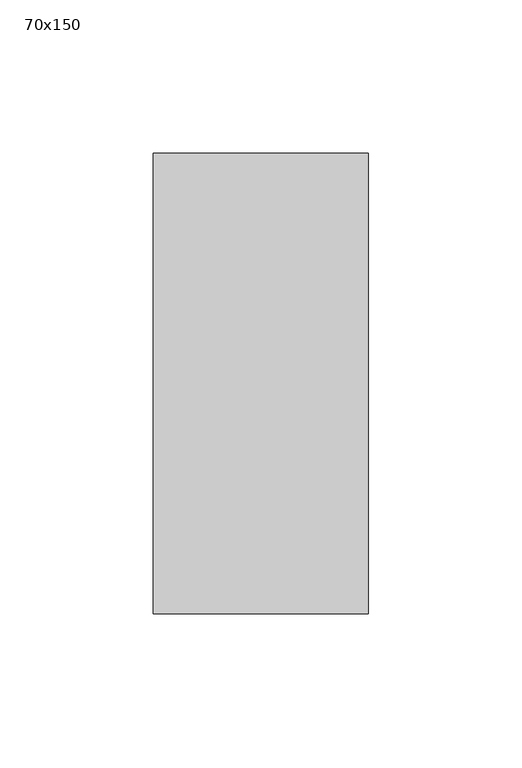
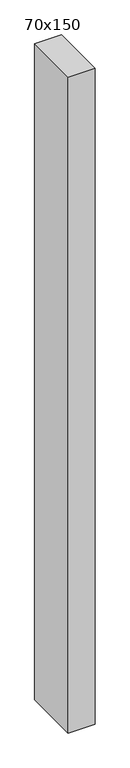
"""IFC4 building model written with IfcOpenShell, lengths in millimetres: member geometry, 70x150."""

import ifcopenshell
import ifcopenshell.guid

model = None  # the IFC model being written
_history = None  # IfcOwnerHistory: only IFC2X3 demands one
_inside = {}  # id of a spatial element -> (the spatial element, [elements in it])
_under = {}  # id of a project, library or spatial element -> (it, [spatial elements below it])
_declared = {}  # id of a project -> (the project, [libraries it declares])
_typed = {}  # id of a type object -> (the type object, [elements of that type])
_made_of = {}  # id of a material, layer set ... -> (it, [elements and type objects made of it])


def new_model(schema):
    """Start an empty IFC model of exactly this schema.

    Asked for "IFC4X3", IfcOpenShell would pick the latest addendum, in which some entities
    have other attributes; the version numbers below select the first issue.
    IFC2X3 requires an IfcOwnerHistory on every rooted entity: one is made here for all.
    """
    global model, _history
    if schema == "IFC4X3":
        model = ifcopenshell.file(schema_version=(4, 3, 0, 0))
    else:
        model = ifcopenshell.file(schema=schema)
    _inside.clear()
    _under.clear()
    _declared.clear()
    _typed.clear()
    _made_of.clear()
    _history = None
    if model.schema == "IFC2X3":
        org = make("IfcOrganization", Name="unknown")
        user = make(
            "IfcPersonAndOrganization",
            ThePerson=make("IfcPerson", FamilyName="unknown"),
            TheOrganization=org,
        )
        app = make(
            "IfcApplication",
            ApplicationDeveloper=org,
            Version="unknown",
            ApplicationFullName="unknown",
            ApplicationIdentifier="unknown",
        )
        _history = make(
            "IfcOwnerHistory",
            OwningUser=user,
            OwningApplication=app,
            ChangeAction="ADDED",
            CreationDate=0,
        )
    return model


def make(cls, **values):
    """One entity of the class cls with the attributes given. An attribute that is None is left unset."""
    return model.create_entity(
        cls, **{name: value for name, value in values.items() if value is not None}
    )


def rooted(cls, **values):
    """An entity with a GlobalId (a new one), such as an element, a storey or a relation."""
    return make(cls, GlobalId=ifcopenshell.guid.new(), OwnerHistory=_history, **values)


def si_unit(unit_type, name, prefix=None):
    """IfcSIUnit, for example si_unit("LENGTHUNIT", "METRE", prefix="MILLI")."""
    return make("IfcSIUnit", UnitType=unit_type, Prefix=prefix, Name=name)


def assignment(units):
    """IfcUnitAssignment: the units of a project."""
    return None if units is None else make("IfcUnitAssignment", Units=units)


def point(xyz):
    """IfcCartesianPoint."""
    return None if xyz is None else make("IfcCartesianPoint", Coordinates=xyz)


def direction(xyz):
    """IfcDirection."""
    return None if xyz is None else make("IfcDirection", DirectionRatios=xyz)


def frame(location, z_axis=None, x_axis=None):
    """IfcAxis2Placement3D, a coordinate frame: its origin and axes. An axis left out is left unset."""
    return make(
        "IfcAxis2Placement3D",
        Location=point(location),
        Axis=direction(z_axis),
        RefDirection=direction(x_axis),
    )


def origin():
    """The frame at (0, 0, 0) with its axes left unset."""
    return frame((0.0, 0.0, 0.0))


def place(relative_to, where):
    """IfcLocalPlacement: puts the frame where relative to a parent placement (None: the world)."""
    return make(
        "IfcLocalPlacement", PlacementRelTo=relative_to, RelativePlacement=where
    )


def context(
    kind, dimensions, precision=None, world=None, true_north=None, identifier=None
):
    """IfcGeometricRepresentationContext, for example the 3D "Model" context."""
    return make(
        "IfcGeometricRepresentationContext",
        ContextIdentifier=identifier,
        ContextType=kind,
        CoordinateSpaceDimension=dimensions,
        Precision=precision,
        WorldCoordinateSystem=world,
        TrueNorth=true_north,
    )


def project(units=None, contexts=None):
    """IfcProject with its units and contexts."""
    return rooted(
        "IfcProject",
        Name="project",
        RepresentationContexts=contexts,
        UnitsInContext=assignment(units),
    )


def spatial(cls, under=None, at=None, **own):
    """A site, building, storey or space (cls), placed at a placement, below another one or the project."""
    s = rooted(cls, ObjectPlacement=at, **own)
    if under is not None:
        _under.setdefault(under.id(), (under, []))[1].append(s)
    return s


def polyline(points):
    """IfcPolyline through the points."""
    return make("IfcPolyline", Points=[point(p) for p in points])


def outline(outer, holes=None, kind="AREA"):
    """IfcArbitraryClosedProfileDef: a profile drawn as a closed curve; with holes, ...WithVoids."""
    if holes is None:
        return make("IfcArbitraryClosedProfileDef", ProfileType=kind, OuterCurve=outer)
    return make(
        "IfcArbitraryProfileDefWithVoids",
        ProfileType=kind,
        OuterCurve=outer,
        InnerCurves=holes,
    )


def extrude(swept, where, along, depth):
    """IfcExtrudedAreaSolid: the profile swept, set in the frame where, extruded along a direction by depth."""
    return make(
        "IfcExtrudedAreaSolid",
        SweptArea=swept,
        Position=where,
        ExtrudedDirection=direction(along),
        Depth=depth,
    )


def shape(context_of_items, identifier, shape_type, items):
    """IfcShapeRepresentation: the items that make up one representation, for example the "Body"."""
    return make(
        "IfcShapeRepresentation",
        ContextOfItems=context_of_items,
        RepresentationIdentifier=identifier,
        RepresentationType=shape_type,
        Items=items,
    )


def source(mapping_origin, context_of_items, identifier, shape_type, items):
    """IfcRepresentationMap: a shape defined once, which mapped items show again and again."""
    return make(
        "IfcRepresentationMap",
        MappingOrigin=mapping_origin,
        MappedRepresentation=shape(context_of_items, identifier, shape_type, items),
    )


def transform(
    local_origin,
    x_axis=None,
    y_axis=None,
    z_axis=None,
    scale=None,
    scale2=None,
    scale3=None,
    uniform=True,
):
    """IfcCartesianTransformationOperator3D, or its non-uniform kind. x_axis, y_axis, z_axis: its Axis1, 2, 3."""
    if uniform:
        return make(
            "IfcCartesianTransformationOperator3D",
            Axis1=direction(x_axis),
            Axis2=direction(y_axis),
            LocalOrigin=point(local_origin),
            Scale=scale,
            Axis3=direction(z_axis),
        )
    return make(
        "IfcCartesianTransformationOperator3DnonUniform",
        Axis1=direction(x_axis),
        Axis2=direction(y_axis),
        LocalOrigin=point(local_origin),
        Scale=scale,
        Axis3=direction(z_axis),
        Scale2=scale2,
        Scale3=scale3,
    )


def mapped(mapping_source, mapping_target):
    """IfcMappedItem: shows the shape of a source again, moved by a transform."""
    return make(
        "IfcMappedItem", MappingSource=mapping_source, MappingTarget=mapping_target
    )


def made_of(thing, what):
    """Note that an element or type object is made of a material, layer set ...; save() writes the relation."""
    if what is not None:
        _made_of.setdefault(what.id(), (what, []))[1].append(thing)
    return thing


def element(
    cls,
    number,
    at=None,
    inside=None,
    cuts=None,
    type_object=None,
    material=None,
    context=None,
    identifier="Body",
    shape_type=None,
    held_by="IfcProductDefinitionShape",
    body=None,
    shapes=None,
    **own,
):
    """One element of the class cls, such as IfcWall. Its Tag is "e" and its number.

    at: its placement. inside: the storey or other place that contains it. cuts: it is an
    opening in that element (IfcRelVoidsElement). A single representation is given by context,
    identifier, shape_type and body (its items); several are given by shapes. held_by: the class
    of the entity that holds the representations. save() writes the other relations.
    """
    e = rooted(cls, Tag="e%d" % number, ObjectPlacement=at, **own)
    if body is not None:
        shapes = [shape(context, identifier, shape_type, body)]
    if shapes is not None:
        e.Representation = make(held_by, Representations=shapes)
    if inside is not None:
        _inside.setdefault(inside.id(), (inside, []))[1].append(e)
    if cuts is not None:
        rooted(
            "IfcRelVoidsElement", RelatingBuildingElement=cuts, RelatedOpeningElement=e
        )
    if type_object is not None:
        _typed.setdefault(type_object.id(), (type_object, []))[1].append(e)
    return made_of(e, material)


def aggregate(whole, parts):
    """IfcRelAggregates: a whole, such as a stair, and the parts it consists of."""
    return rooted("IfcRelAggregates", RelatingObject=whole, RelatedObjects=parts)


def save(model, path):
    """Write the relations noted so far, then the file.

    IfcRelAggregates (storeys below a building ...), IfcRelContainedInSpatialStructure (elements
    in a storey), IfcRelDefinesByType, IfcRelAssociatesMaterial and IfcRelDeclares: one each for
    every whole, place, type object, material and project.
    """
    for whole, parts in _under.values():
        aggregate(whole, parts)
    for where, things in _inside.values():
        rooted(
            "IfcRelContainedInSpatialStructure",
            RelatedElements=things,
            RelatingStructure=where,
        )
    for kind, things in _typed.values():
        rooted("IfcRelDefinesByType", RelatedObjects=things, RelatingType=kind)
    for what, things in _made_of.values():
        rooted("IfcRelAssociatesMaterial", RelatedObjects=things, RelatingMaterial=what)
    for by, libraries in _declared.values():
        rooted("IfcRelDeclares", RelatingContext=by, RelatedDefinitions=libraries)
    model.write(path)


def member_70x150_30ccfd44(model_context):
    return source(origin(), model_context, "Body", "SweptSolid", [
        extrude(outline(polyline([(0.0, 75.0), (0.0, -75.0), (-70.0, -75.0), (-70.0, 75.0), (0.0, 75.0)])), frame((0.0, 0.0, -1795.0), z_axis=(0.0, 0.0, 1.0), x_axis=(1.0, 0.0, 0.0)), (0.0, 0.0, 1.0), 1795.0),
    ])


if __name__ == "__main__":
    model = new_model("IFC4")
    model_context = context("Model", 3, world=origin())
    ifc_project = project(units=[si_unit("LENGTHUNIT", "METRE", prefix="MILLI")], contexts=[model_context])
    site = spatial("IfcSite", under=ifc_project)
    building = spatial("IfcBuilding", under=site)
    placement = place(None, origin())
    member_70x150_shape = member_70x150_30ccfd44(model_context)
    element("IfcMember", 1, ObjectType="70x150", at=placement, inside=building, context=model_context, shape_type="MappedRepresentation", body=[
        mapped(member_70x150_shape, transform((0.0, 0.0, 0.0), x_axis=(1.0, 0.0, 0.0), y_axis=(0.0, 1.0, 0.0), z_axis=(0.0, 0.0, 1.0))),
    ])
    save(model, "model.ifc")
